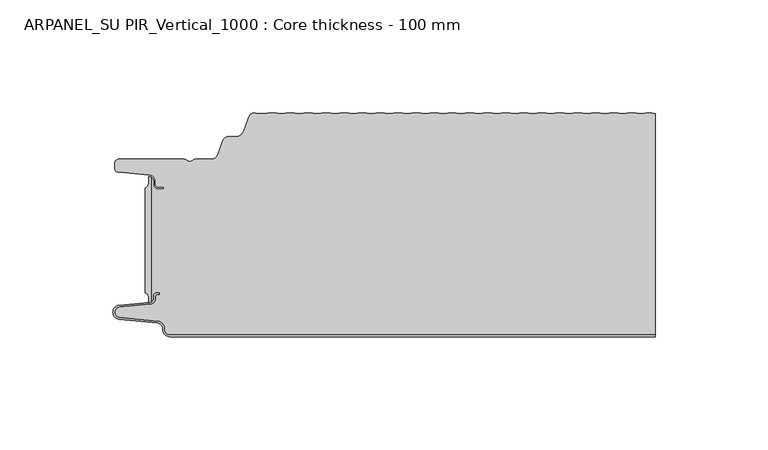
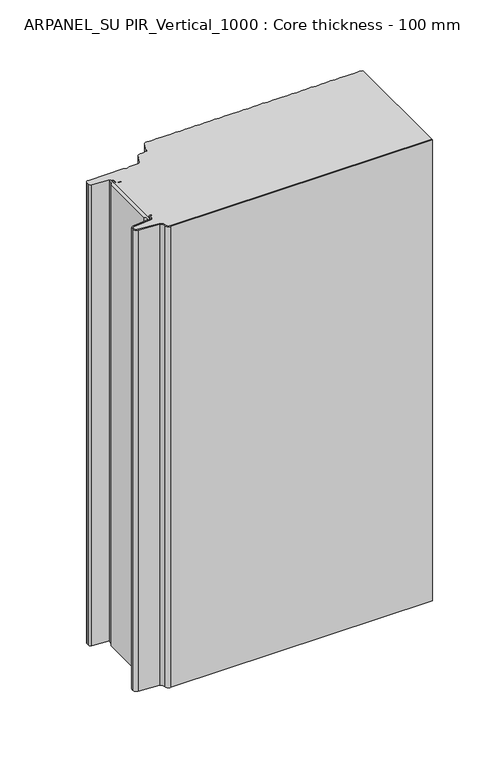
"""IFC4 building model written with IfcOpenShell, lengths in millimetres: plate geometry, ARPANEL_SU PIR_Vertical_1000 : Core thickness - 100 mm."""

from ifc_helpers import new_model, si_unit, point, frame, frame_2d, origin, origin_with_axes, place, context, project, spatial, polyline, circle_curve, trimmed, segment, composite_curve, outline, extrude, source, transform, mapped, element, save
from ifc_brep_helpers import plane_surface, cylinder_surface, revolved_surface, advanced_brep


def arpanel_su_pir_vertical_1000_core_thickness_100_mm_8a3419ba(model_context):
    return source(origin(), model_context, "Body", "SolidModel", [
        extrude(outline(composite_curve([segment(polyline([(-105.6703125, -80.4998404), (-105.6703125, -34.0457975)]), True, "CONTINUOUS"), segment(trimmed(circle_curve(frame_2d((-106.6104834, -31.8050435)), 2.43), [point((-105.6703125, -34.0457975))], [point((-104.1827962, -31.6990483))], True, "CARTESIAN"), True, "CONTINUOUS"), segment(polyline([(-104.1827962, -31.6990483), (-104.1827962, -29.1072781)]), True, "CONTINUOUS"), segment(trimmed(circle_curve(frame_2d((-104.153332, -31.5658353)), 2.4587337), [point((-104.1827962, -29.1072781))], [point((-103.1249998, -29.3324736))], False, "CARTESIAN"), True, "CONTINUOUS"), segment(polyline([(-103.1249998, -29.3324736), (-103.1249998, -84.6039532)]), True, "CONTINUOUS"), segment(trimmed(circle_curve(frame_2d((-104.1687689, -82.3777641)), 2.4587337), [point((-103.1249998, -84.6039532))], [point((-104.1827962, -84.8364579))], False, "CARTESIAN"), True, "CONTINUOUS"), segment(polyline([(-104.1827962, -84.8364579), (-104.1827962, -82.8465895)]), True, "CONTINUOUS"), segment(trimmed(circle_curve(frame_2d((-106.6104834, -82.7405944)), 2.43), [point((-104.1827962, -82.8465895))], [point((-105.6703125, -80.4998404))], True, "CARTESIAN"), True, "CONTINUOUS")], self_intersect=False)), origin_with_axes(), (0.0, 0.0, 1.0), 400.0),
        advanced_brep(
        [(-94.8000003, -99.9996949, 0.0), (-97.9923632, -96.5787437, 0.0), (-100.2560431, -93.9171154, 0.0), (-117.2115315, -92.2546153, 0.0), (-119.9999998, -89.1776715, 0.0), (-117.2115315, -86.1007278, 0.0), (-103.6195785, -84.7680252, 0.0), (-101.9952277, -82.9766159, 0.0), (-101.9952277, -81.8996949, 0.0), (-100.5952277, -80.4996949, 0.0), (-99.4952277, -80.4996949, 0.0), (-99.4952277, -81.2996949, 0.0), (-100.5952277, -81.2996949, 0.0), (-101.1952277, -81.8996949, 0.0), (-101.1952277, -82.9766159, 0.0), (-103.5415122, -85.5642071, 0.0), (-117.1334652, -86.8969097, 0.0), (-119.1999997, -89.1776715, 0.0), (-117.1334652, -91.4584333, 0.0), (-100.1779767, -93.1209335, 0.0), (-97.2078761, -96.6330399, 0.0), (-94.8000003, -99.1996949, 0.0), (119.9999998, -99.2, 0.0), (119.9999998, -99.9996949, 0.0), (-94.8000003, -99.1996949, 400.0), (-97.1942724, -96.6339815, 400.0), (-100.1779767, -93.1209335, 400.0), (-117.1334652, -91.4584333, 400.0), (-119.1999997, -89.1776715, 400.0), (-117.1334652, -86.8969097, 400.0), (-103.5415122, -85.5642071, 400.0), (-101.1952277, -82.9766159, 400.0), (-101.1952277, -81.8996949, 400.0), (-100.5952277, -81.2996949, 400.0), (-99.4952277, -81.2996949, 400.0), (-99.4952277, -80.4996949, 400.0), (-100.5952277, -80.4996949, 400.0), (-101.9952277, -81.8996949, 400.0), (-101.9952277, -82.9766159, 400.0), (-103.6195785, -84.7680252, 400.0), (-117.2115315, -86.1007278, 400.0), (-119.9999998, -89.1776715, 400.0), (-117.2115315, -92.2546153, 400.0), (-100.2560431, -93.9171154, 400.0), (-98.0059668, -96.5778021, 400.0), (-94.8000003, -99.9996949, 400.0), (119.9999998, -99.9996949, 400.0), (119.9999998, -99.2, 400.0)],
        [
            (0, 1, circle_curve(frame((-94.8000003, -96.7996949, 0.0), z_axis=(0.0, 0.0, -1.0), x_axis=(1.0, 0.0, 0.0)), 3.2)),
            (1, 2, circle_curve(frame((-100.5000003, -96.4051839, 0.0), z_axis=(0.0, 0.0, 1.0), x_axis=(1.0, 0.0, 0.0)), 2.5)),
            (2, 3),
            (3, 4, circle_curve(frame((-116.9100003, -89.1793626, 0.0), z_axis=(0.0, 0.0, -1.0), x_axis=(1.0, 0.0, 0.0)), 3.09)),
            (4, 5, circle_curve(frame((-116.9100003, -89.1759805, 0.0), z_axis=(0.0, 0.0, -1.0), x_axis=(1.0, 0.0, 0.0)), 3.09)),
            (5, 6),
            (6, 7, circle_curve(frame((-103.7952277, -82.9766159, 0.0), z_axis=(0.0, 0.0, 1.0), x_axis=(1.0, 0.0, 0.0)), 1.8)),
            (7, 8),
            (8, 9, circle_curve(frame((-100.5952277, -81.8996949, 0.0), z_axis=(0.0, 0.0, -1.0), x_axis=(1.0, 0.0, 0.0)), 1.4)),
            (9, 10),
            (10, 11),
            (11, 12),
            (12, 13, circle_curve(frame((-100.5952277, -81.8996949, 0.0), z_axis=(0.0, 0.0, 1.0), x_axis=(1.0, 0.0, 0.0)), 0.6)),
            (13, 14),
            (14, 15, circle_curve(frame((-103.7952277, -82.9766159, 0.0), z_axis=(0.0, 0.0, -1.0), x_axis=(1.0, 0.0, 0.0)), 2.6)),
            (15, 16),
            (16, 17, circle_curve(frame((-116.9100003, -89.1759805, 0.0), z_axis=(0.0, 0.0, 1.0), x_axis=(1.0, 0.0, 0.0)), 2.29)),
            (17, 18, circle_curve(frame((-116.9100003, -89.1793626, 0.0), z_axis=(0.0, 0.0, 1.0), x_axis=(1.0, 0.0, 0.0)), 2.29)),
            (18, 19),
            (19, 20, circle_curve(frame((-100.5000003, -96.4051839, 0.0), z_axis=(0.0, 0.0, -1.0), x_axis=(1.0, 0.0, 0.0)), 3.3)),
            (20, 21, circle_curve(frame((-94.8000003, -96.7996949, 0.0), z_axis=(0.0, 0.0, 1.0), x_axis=(1.0, 0.0, 0.0)), 2.4)),
            (21, 22),
            (22, 23),
            (23, 0),
            (24, 25, circle_curve(frame((-94.8000003, -96.7996949, 400.0), z_axis=(0.0, 0.0, -1.0), x_axis=(1.0, 0.0, 0.0)), 2.4)),
            (25, 26, circle_curve(frame((-100.5000003, -96.4051839, 400.0), z_axis=(0.0, 0.0, 1.0), x_axis=(1.0, 0.0, 0.0)), 3.3)),
            (26, 27),
            (27, 28, circle_curve(frame((-116.9100003, -89.1793626, 400.0), z_axis=(0.0, 0.0, -1.0), x_axis=(1.0, 0.0, 0.0)), 2.29)),
            (28, 29, circle_curve(frame((-116.9100003, -89.1759805, 400.0), z_axis=(0.0, 0.0, -1.0), x_axis=(1.0, 0.0, 0.0)), 2.29)),
            (29, 30),
            (30, 31, circle_curve(frame((-103.7952277, -82.9766159, 400.0), z_axis=(0.0, 0.0, 1.0), x_axis=(1.0, 0.0, 0.0)), 2.6)),
            (31, 32),
            (32, 33, circle_curve(frame((-100.5952277, -81.8996949, 400.0), z_axis=(0.0, 0.0, -1.0), x_axis=(1.0, 0.0, 0.0)), 0.6)),
            (33, 34),
            (34, 35),
            (35, 36),
            (36, 37, circle_curve(frame((-100.5952277, -81.8996949, 400.0), z_axis=(0.0, 0.0, 1.0), x_axis=(1.0, 0.0, 0.0)), 1.4)),
            (37, 38),
            (38, 39, circle_curve(frame((-103.7952277, -82.9766159, 400.0), z_axis=(0.0, 0.0, -1.0), x_axis=(1.0, 0.0, 0.0)), 1.8)),
            (39, 40),
            (40, 41, circle_curve(frame((-116.9100003, -89.1759805, 400.0), z_axis=(0.0, 0.0, 1.0), x_axis=(1.0, 0.0, 0.0)), 3.09)),
            (41, 42, circle_curve(frame((-116.9100003, -89.1793626, 400.0), z_axis=(0.0, 0.0, 1.0), x_axis=(1.0, 0.0, 0.0)), 3.09)),
            (42, 43),
            (43, 44, circle_curve(frame((-100.5000003, -96.4051839, 400.0), z_axis=(0.0, 0.0, -1.0), x_axis=(1.0, 0.0, 0.0)), 2.5)),
            (44, 45, circle_curve(frame((-94.8000003, -96.7996949, 400.0), z_axis=(0.0, 0.0, 1.0), x_axis=(1.0, 0.0, 0.0)), 3.2)),
            (45, 46),
            (46, 47),
            (47, 24),
            (21, 24),
            (47, 22),
            (20, 25),
            (19, 26),
            (18, 27),
            (17, 28),
            (16, 29),
            (15, 30),
            (14, 31),
            (13, 32),
            (12, 33),
            (11, 34),
            (10, 35),
            (9, 36),
            (8, 37),
            (7, 38),
            (6, 39),
            (5, 40),
            (4, 41),
            (3, 42),
            (2, 43),
            (1, 44),
            (0, 45),
            (23, 46),
        ],
        [
            plane_surface(frame((-119.9999998, -100.0, 0.0), z_axis=(0.0, 0.0, -1.0), x_axis=(0.0, 1.0, 0.0))),
            plane_surface(frame((-119.9999998, -100.0, 400.0), z_axis=(0.0, 0.0, 1.0), x_axis=(0.0, 1.0, 0.0))),
            plane_surface(frame((-94.8000003, -99.2, 0.0), z_axis=(0.0, 1.0, 0.0), x_axis=(0.0, 0.0, 1.0))),
            revolved_surface(polyline([(-92.40000029999999, -96.7996949, 400.0), (-92.40000029999999, -96.7996949, 0.0)]), (-94.8000003, -96.7996949, 0.0), (0.0, 0.0, 1.0)),
            cylinder_surface(frame((-100.5000003, -96.4051839, 0.0), z_axis=(0.0, 0.0, -1.0), x_axis=(1.0, 0.0, 0.0)), 3.3),
            plane_surface(frame((-117.1334652, -91.4584333, 0.0), z_axis=(0.09758289975914758, 0.9952273999818314, 0.0), x_axis=(0.0, 0.0, 1.0))),
            revolved_surface(polyline([(-114.62000029999999, -89.1793626, 400.0), (-114.62000029999999, -89.1793626, 0.0)]), (-116.9100003, -89.1793626, 0.0), (0.0, 0.0, 1.0)),
            revolved_surface(polyline([(-114.62000029999999, -89.1759805, 400.0), (-114.62000029999999, -89.1759805, 0.0)]), (-116.9100003, -89.1759805, 0.0), (0.0, 0.0, 1.0)),
            plane_surface(frame((-103.5415122, -85.5642071, 0.0), z_axis=(0.09758289975914383, -0.9952273999818317, 0.0), x_axis=(0.0, 0.0, 1.0))),
            cylinder_surface(frame((-103.7952277, -82.9766159, 0.0), z_axis=(0.0, 0.0, -1.0), x_axis=(1.0, 0.0, 0.0)), 2.6),
            plane_surface(frame((-101.1952277, -81.8996949, 0.0), z_axis=(1.0, 0.0, 0.0), x_axis=(0.0, 0.0, 1.0))),
            revolved_surface(polyline([(-99.9952277, -81.8996949, 400.0), (-99.9952277, -81.8996949, 0.0)]), (-100.5952277, -81.8996949, 0.0), (0.0, 0.0, 1.0)),
            plane_surface(frame((-99.4952277, -81.2996949, 0.0), z_axis=(0.0, -1.0, 0.0), x_axis=(0.0, 0.0, 1.0))),
            plane_surface(frame((-99.4952277, -80.4996949, 0.0), z_axis=(1.0, 0.0, 0.0), x_axis=(0.0, 0.0, 1.0))),
            plane_surface(frame((-100.5952277, -80.4996949, 0.0), z_axis=(0.0, 1.0, 0.0), x_axis=(0.0, 0.0, 1.0))),
            cylinder_surface(frame((-100.5952277, -81.8996949, 0.0), z_axis=(0.0, 0.0, -1.0), x_axis=(1.0, 0.0, 0.0)), 1.4),
            plane_surface(frame((-101.9952277, -82.9766159, 0.0), z_axis=(-1.0, 0.0, 0.0), x_axis=(0.0, 0.0, 1.0))),
            revolved_surface(polyline([(-101.9952277, -82.9766159, 400.0), (-101.9952277, -82.9766159, 0.0)]), (-103.7952277, -82.9766159, 0.0), (0.0, 0.0, 1.0)),
            plane_surface(frame((-117.2115315, -86.1007278, 0.0), z_axis=(-0.09758289975914387, 0.9952273999818317, 0.0), x_axis=(0.0, 0.0, 1.0))),
            cylinder_surface(frame((-116.9100003, -89.1759805, 0.0), z_axis=(0.0, 0.0, -1.0), x_axis=(1.0, 0.0, 0.0)), 3.09),
            cylinder_surface(frame((-116.9100003, -89.1793626, 0.0), z_axis=(0.0, 0.0, -1.0), x_axis=(1.0, 0.0, 0.0)), 3.09),
            plane_surface(frame((-100.2560431, -93.9171154, 0.0), z_axis=(-0.09758289975914762, -0.9952273999818314, 0.0), x_axis=(0.0, 0.0, 1.0))),
            revolved_surface(polyline([(-98.0000003, -96.4051839, 400.0), (-98.0000003, -96.4051839, 0.0)]), (-100.5000003, -96.4051839, 0.0), (0.0, 0.0, 1.0)),
            cylinder_surface(frame((-94.8000003, -96.7996949, 0.0), z_axis=(0.0, 0.0, -1.0), x_axis=(1.0, 0.0, 0.0)), 3.2),
            plane_surface(frame((895.8951806, -99.9996949, 0.0), z_axis=(0.0, -1.0, 0.0), x_axis=(0.0, 0.0, 1.0))),
            plane_surface(frame((119.9999998, 180.0, 400.0), z_axis=(1.0, 0.0, 0.0), x_axis=(0.0, 0.0, -1.0))),
        ],
        [
            (0, [[1, 2, 3, 4, 5, 6, 7, 8, 9, 10, 11, 12, 13, 14, 15, 16, 17, 18, 19, 20, 21, 22, 23, 24]]),
            (1, [[25, 26, 27, 28, 29, 30, 31, 32, 33, 34, 35, 36, 37, 38, 39, 40, 41, 42, 43, 44, 45, 46, 47, 48]]),
            (2, [[49, -48, 50, -22]]),
            (3, [[-21, 51, -25, -49]]),
            (4, [[-20, 52, -26, -51]]),
            (5, [[-19, 53, -27, -52]]),
            (6, [[-18, 54, -28, -53]]),
            (7, [[-17, 55, -29, -54]]),
            (8, [[-16, 56, -30, -55]]),
            (9, [[-15, 57, -31, -56]]),
            (10, [[-14, 58, -32, -57]]),
            (11, [[-13, 59, -33, -58]]),
            (12, [[-12, 60, -34, -59]]),
            (13, [[-11, 61, -35, -60]]),
            (14, [[-10, 62, -36, -61]]),
            (15, [[-9, 63, -37, -62]]),
            (16, [[-8, 64, -38, -63]]),
            (17, [[-7, 65, -39, -64]]),
            (18, [[-6, 66, -40, -65]]),
            (19, [[-5, 67, -41, -66]]),
            (20, [[-4, 68, -42, -67]]),
            (21, [[-3, 69, -43, -68]]),
            (22, [[-2, 70, -44, -69]]),
            (23, [[-1, 71, -45, -70]]),
            (24, [[-71, -24, 72, -46]]),
            (25, [[-23, -50, -47, -72]]),
        ],
    ),
        advanced_brep(
        [(-45.4209945, -1.2401608, 400.0), (-49.3959945, -0.7842469, 400.0), (-53.3709945, -1.2401608, 400.0), (-56.974295, -0.8268791, 400.0), (-59.9575556, -2.6832307, 400.0), (-62.1915348, -8.821038, 400.0), (-65.8165278, -11.3209755, 400.0), (-68.7504363, -11.3209755, 400.0), (-71.4097075, -13.1828966, 400.0), (-73.7017226, -19.4789642, 400.0), (-76.3328037, -21.3211477, 400.0), (-83.355028, -21.3211477, 400.0), (-84.4794723, -21.7461477, 400.0), (-87.5220864, -21.7461477, 400.0), (-88.6465307, -21.3211477, 400.0), (-117.3699998, -21.3211477, 400.0), (-119.1999998, -23.1511477, 400.0), (-119.1999998, -25.314536, 400.0), (-117.5294949, -27.1375723, 400.0), (-103.7559637, -28.3426003, 400.0), (-101.1999998, -31.1319454, 400.0), (-101.1999998, -32.5211477, 400.0), (-99.9999998, -33.7211477, 400.0), (-97.4999998, -33.7211477, 400.0), (-97.4999998, -34.5211477, 400.0), (-99.9999998, -34.5211477, 400.0), (-101.9999998, -32.5211477, 400.0), (-101.9999998, -31.1319454, 400.0), (-103.1249998, -29.3335086, 400.0), (-103.1249998, -84.647183, 400.0), (-101.9952277, -82.9766159, 400.0), (-101.9952277, -81.8996949, 400.0), (-100.5952277, -80.4996949, 400.0), (-99.4952277, -80.4996949, 400.0), (-99.4952277, -81.2996949, 400.0), (-100.5952277, -81.2996949, 400.0), (-101.1952277, -81.8996949, 400.0), (-101.1952277, -82.9766159, 400.0), (-103.5415122, -85.5642071, 400.0), (-117.1334652, -86.8969097, 400.0), (-119.1999997, -89.1776715, 400.0), (-117.1334652, -91.4584333, 400.0), (-100.1779767, -93.1209335, 400.0), (-97.2078761, -96.6330399, 400.0), (-94.8000003, -99.1996949, 400.0), (119.9999998, -99.2, 400.0), (119.9999998, -1.064791, 400.0), (117.5540055, -0.7842469, 400.0), (113.5790055, -1.2401608, 400.0), (109.6040055, -0.7842469, 400.0), (105.6290055, -1.2401608, 400.0), (101.6540055, -0.7842469, 400.0), (97.6790055, -1.2401608, 400.0), (93.7040055, -0.7842469, 400.0), (89.7290055, -1.2401608, 400.0), (85.7540055, -0.7842469, 400.0), (81.7790055, -1.2401608, 400.0), (77.8040055, -0.7842469, 400.0), (73.8290055, -1.2401608, 400.0), (69.8540055, -0.7842469, 400.0), (65.8790055, -1.2401608, 400.0), (61.9040055, -0.7842469, 400.0), (57.9290055, -1.2401608, 400.0), (53.9540055, -0.7842469, 400.0), (49.9790055, -1.2401608, 400.0), (46.0040055, -0.7842469, 400.0), (42.0290055, -1.2401608, 400.0), (38.0540055, -0.7842469, 400.0), (34.0790055, -1.2401608, 400.0), (30.1040055, -0.7842469, 400.0), (26.1290055, -1.2401608, 400.0), (22.1540055, -0.7842469, 400.0), (18.1790055, -1.2401608, 400.0), (14.2040055, -0.7842469, 400.0), (10.2290055, -1.2401608, 400.0), (6.2540055, -0.7842469, 400.0), (2.2790055, -1.2401608, 400.0), (-1.6959945, -0.7842469, 400.0), (-5.6709945, -1.2401608, 400.0), (-9.6459945, -0.7842469, 400.0), (-13.6209945, -1.2401608, 400.0), (-17.5959945, -0.7842469, 400.0), (-21.5709945, -1.2401608, 400.0), (-25.5459945, -0.7842469, 400.0), (-29.5209945, -1.2401608, 400.0), (-33.4959945, -0.7842469, 400.0), (-37.4709945, -1.2401608, 400.0), (-41.4459945, -0.7842469, 400.0), (-49.3959945, -0.7842469, 0.0), (-45.4209945, -1.2401608, 0.0), (-41.4459945, -0.7842469, 0.0), (-37.4709945, -1.2401608, 0.0), (-33.4959945, -0.7842469, 0.0), (-29.5209945, -1.2401608, 0.0), (-25.5459945, -0.7842469, 0.0), (-21.5709945, -1.2401608, 0.0), (-17.5959945, -0.7842469, 0.0), (-13.6209945, -1.2401608, 0.0), (-9.6459945, -0.7842469, 0.0), (-5.6709945, -1.2401608, 0.0), (-1.6959945, -0.7842469, 0.0), (2.2790055, -1.2401608, 0.0), (6.2540055, -0.7842469, 0.0), (10.2290055, -1.2401608, 0.0), (14.2040055, -0.7842469, 0.0), (18.1790055, -1.2401608, 0.0), (22.1540055, -0.7842469, 0.0), (26.1290055, -1.2401608, 0.0), (30.1040055, -0.7842469, 0.0), (34.0790055, -1.2401608, 0.0), (38.0540055, -0.7842469, 0.0), (42.0290055, -1.2401608, 0.0), (46.0040055, -0.7842469, 0.0), (49.9790055, -1.2401608, 0.0), (53.9540055, -0.7842469, 0.0), (57.9290055, -1.2401608, 0.0), (61.9040055, -0.7842469, 0.0), (65.8790055, -1.2401608, 0.0), (69.8540055, -0.7842469, 0.0), (73.8290055, -1.2401608, 0.0), (77.8040055, -0.7842469, 0.0), (81.7790055, -1.2401608, 0.0), (85.7540055, -0.7842469, 0.0), (89.7290055, -1.2401608, 0.0), (93.7040055, -0.7842469, 0.0), (97.6790055, -1.2401608, 0.0), (101.6540055, -0.7842469, 0.0), (105.6290055, -1.2401608, 0.0), (109.6040055, -0.7842469, 0.0), (113.5790055, -1.2401608, 0.0), (117.5540055, -0.7842469, 0.0), (119.9999998, -1.064791, 0.0), (119.9999998, -99.2, 0.0), (-94.8000003, -99.2, 0.0), (-97.1942724, -96.6339815, 0.0), (-100.1779767, -93.1209335, 0.0), (-117.1334652, -91.4584333, 0.0), (-119.1999997, -89.1776715, 0.0), (-117.1334652, -86.8969097, 0.0), (-103.5415122, -85.5642071, 0.0), (-101.1952277, -82.9766159, 0.0), (-101.1952277, -81.8996949, 0.0), (-100.5952277, -81.2996949, 0.0), (-99.4952277, -81.2996949, 0.0), (-99.4952277, -80.4996949, 0.0), (-100.5952277, -80.4996949, 0.0), (-101.9952277, -81.8996949, 0.0), (-101.9952277, -82.9766159, 0.0), (-103.1249998, -84.647183, 0.0), (-103.1249998, -29.3335086, 0.0), (-101.9999998, -31.1319454, 0.0), (-101.9999998, -32.5211477, 0.0), (-99.9999998, -34.5211477, 0.0), (-97.4999998, -34.5211477, 0.0), (-97.4999998, -33.7211477, 0.0), (-99.9999998, -33.7211477, 0.0), (-101.1999998, -32.5211477, 0.0), (-101.1999998, -31.1319454, 0.0), (-103.7559637, -28.3426003, 0.0), (-117.5294949, -27.1375723, 0.0), (-119.1999998, -25.314536, 0.0), (-119.1999998, -23.1511477, 0.0), (-117.3699998, -21.3211477, 0.0), (-88.6465307, -21.3211477, 0.0), (-87.5220864, -21.7461477, 0.0), (-84.4794723, -21.7461477, 0.0), (-83.355028, -21.3211477, 0.0), (-76.3328037, -21.3211477, 0.0), (-73.7017226, -19.4789642, 0.0), (-71.4097075, -13.1828966, 0.0), (-68.7504363, -11.3209755, 0.0), (-65.8165278, -11.3209755, 0.0), (-62.1915348, -8.821038, 0.0), (-59.9575556, -2.6832307, 0.0), (-56.9757518, -0.8395804, 0.0), (-53.3709945, -1.2401608, 0.0)],
        [
            (0, 1),
            (1, 2),
            (2, 3),
            (3, 4, circle_curve(frame((-57.2982255, -3.6511477, 400.0), z_axis=(0.0, 0.0, 1.0), x_axis=(1.0, 0.0, 0.0)), 2.83)),
            (4, 5),
            (5, 6, circle_curve(frame((-65.7623667, -7.5213615, 400.0), z_axis=(0.0, 0.0, -1.0), x_axis=(1.0, 0.0, 0.0)), 3.8)),
            (6, 7),
            (7, 8, circle_curve(frame((-68.7504363, -14.1509755, 400.0), z_axis=(0.0, 0.0, 1.0), x_axis=(1.0, 0.0, 0.0)), 2.83)),
            (8, 9),
            (9, 10, circle_curve(frame((-76.3328037, -18.5211477, 400.0), z_axis=(0.0, 0.0, -1.0), x_axis=(1.0, 0.0, 0.0)), 2.8)),
            (10, 11),
            (11, 12, circle_curve(frame((-83.355028, -23.0211477, 400.0), z_axis=(0.0, 0.0, 1.0), x_axis=(1.0, 0.0, 0.0)), 1.7)),
            (12, 13, circle_curve(frame((-86.0007794, -20.0211477, 400.0), z_axis=(0.0, 0.0, -1.0), x_axis=(1.0, 0.0, 0.0)), 2.3)),
            (13, 14, circle_curve(frame((-88.6465307, -23.0211477, 400.0), z_axis=(0.0, 0.0, 1.0), x_axis=(1.0, 0.0, 0.0)), 1.7)),
            (14, 15),
            (15, 16, circle_curve(frame((-117.3699998, -23.1511477, 400.0), z_axis=(0.0, 0.0, 1.0), x_axis=(1.0, 0.0, 0.0)), 1.83)),
            (16, 17),
            (17, 18, circle_curve(frame((-117.3699998, -25.314536, 400.0), z_axis=(0.0, 0.0, 1.0), x_axis=(1.0, 0.0, 0.0)), 1.83)),
            (18, 19),
            (19, 20, circle_curve(frame((-103.9999998, -31.1319454, 400.0), z_axis=(0.0, 0.0, -1.0), x_axis=(1.0, 0.0, 0.0)), 2.8)),
            (20, 21),
            (21, 22, circle_curve(frame((-99.9999998, -32.5211477, 400.0), z_axis=(0.0, 0.0, 1.0), x_axis=(1.0, 0.0, 0.0)), 1.2)),
            (22, 23),
            (23, 24),
            (24, 25),
            (25, 26, circle_curve(frame((-99.9999998, -32.5211477, 400.0), z_axis=(0.0, 0.0, -1.0), x_axis=(1.0, 0.0, 0.0)), 2.0)),
            (26, 27),
            (27, 28, circle_curve(frame((-103.9999998, -31.1319454, 400.0), z_axis=(0.0, 0.0, 1.0), x_axis=(1.0, 0.0, 0.0)), 2.0)),
            (28, 29),
            (29, 30, circle_curve(frame((-103.7952277, -82.9766159, 400.0), z_axis=(0.0, 0.0, 1.0), x_axis=(1.0, 0.0, 0.0)), 1.8)),
            (30, 31),
            (31, 32, circle_curve(frame((-100.5952277, -81.8996949, 400.0), z_axis=(0.0, 0.0, -1.0), x_axis=(1.0, 0.0, 0.0)), 1.4)),
            (32, 33),
            (33, 34),
            (34, 35),
            (35, 36, circle_curve(frame((-100.5952277, -81.8996949, 400.0), z_axis=(0.0, 0.0, 1.0), x_axis=(1.0, 0.0, 0.0)), 0.6)),
            (36, 37),
            (37, 38, circle_curve(frame((-103.7952277, -82.9766159, 400.0), z_axis=(0.0, 0.0, -1.0), x_axis=(1.0, 0.0, 0.0)), 2.6)),
            (38, 39),
            (39, 40, circle_curve(frame((-116.9100003, -89.1759805, 400.0), z_axis=(0.0, 0.0, 1.0), x_axis=(1.0, 0.0, 0.0)), 2.29)),
            (40, 41, circle_curve(frame((-116.9100003, -89.1793626, 400.0), z_axis=(0.0, 0.0, 1.0), x_axis=(1.0, 0.0, 0.0)), 2.29)),
            (41, 42),
            (42, 43, circle_curve(frame((-100.5000003, -96.4051839, 400.0), z_axis=(0.0, 0.0, -1.0), x_axis=(1.0, 0.0, 0.0)), 3.3)),
            (43, 44, circle_curve(frame((-94.8000003, -96.7996949, 400.0), z_axis=(0.0, 0.0, 1.0), x_axis=(1.0, 0.0, 0.0)), 2.4)),
            (44, 45),
            (45, 46),
            (46, 47),
            (47, 48),
            (48, 49),
            (49, 50),
            (50, 51),
            (51, 52),
            (52, 53),
            (53, 54),
            (54, 55),
            (55, 56),
            (56, 57),
            (57, 58),
            (58, 59),
            (59, 60),
            (60, 61),
            (61, 62),
            (62, 63),
            (63, 64),
            (64, 65),
            (65, 66),
            (66, 67),
            (67, 68),
            (68, 69),
            (69, 70),
            (70, 71),
            (71, 72),
            (72, 73),
            (73, 74),
            (74, 75),
            (75, 76),
            (76, 77),
            (77, 78),
            (78, 79),
            (79, 80),
            (80, 81),
            (81, 82),
            (82, 83),
            (83, 84),
            (84, 85),
            (85, 86),
            (86, 87),
            (87, 0),
            (88, 89),
            (89, 90),
            (90, 91),
            (91, 92),
            (92, 93),
            (93, 94),
            (94, 95),
            (95, 96),
            (96, 97),
            (97, 98),
            (98, 99),
            (99, 100),
            (100, 101),
            (101, 102),
            (102, 103),
            (103, 104),
            (104, 105),
            (105, 106),
            (106, 107),
            (107, 108),
            (108, 109),
            (109, 110),
            (110, 111),
            (111, 112),
            (112, 113),
            (113, 114),
            (114, 115),
            (115, 116),
            (116, 117),
            (117, 118),
            (118, 119),
            (119, 120),
            (120, 121),
            (121, 122),
            (122, 123),
            (123, 124),
            (124, 125),
            (125, 126),
            (126, 127),
            (127, 128),
            (128, 129),
            (129, 130),
            (130, 131),
            (131, 132),
            (132, 133),
            (133, 134, circle_curve(frame((-94.8000003, -96.7996949, 0.0), z_axis=(0.0, 0.0, -1.0), x_axis=(1.0, 0.0, 0.0)), 2.4)),
            (134, 135, circle_curve(frame((-100.5000003, -96.4051839, 0.0), z_axis=(0.0, 0.0, 1.0), x_axis=(1.0, 0.0, 0.0)), 3.3)),
            (135, 136),
            (136, 137, circle_curve(frame((-116.9100003, -89.1793626, 0.0), z_axis=(0.0, 0.0, -1.0), x_axis=(1.0, 0.0, 0.0)), 2.29)),
            (137, 138, circle_curve(frame((-116.9100003, -89.1759805, 0.0), z_axis=(0.0, 0.0, -1.0), x_axis=(1.0, 0.0, 0.0)), 2.29)),
            (138, 139),
            (139, 140, circle_curve(frame((-103.7952277, -82.9766159, 0.0), z_axis=(0.0, 0.0, 1.0), x_axis=(1.0, 0.0, 0.0)), 2.6)),
            (140, 141),
            (141, 142, circle_curve(frame((-100.5952277, -81.8996949, 0.0), z_axis=(0.0, 0.0, -1.0), x_axis=(1.0, 0.0, 0.0)), 0.6)),
            (142, 143),
            (143, 144),
            (144, 145),
            (145, 146, circle_curve(frame((-100.5952277, -81.8996949, 0.0), z_axis=(0.0, 0.0, 1.0), x_axis=(1.0, 0.0, 0.0)), 1.4)),
            (146, 147),
            (147, 148, circle_curve(frame((-103.7952277, -82.9766159, 0.0), z_axis=(0.0, 0.0, -1.0), x_axis=(1.0, 0.0, 0.0)), 1.8)),
            (148, 149),
            (149, 150, circle_curve(frame((-103.9999998, -31.1319454, 0.0), z_axis=(0.0, 0.0, -1.0), x_axis=(1.0, 0.0, 0.0)), 2.0)),
            (150, 151),
            (151, 152, circle_curve(frame((-99.9999998, -32.5211477, 0.0), z_axis=(0.0, 0.0, 1.0), x_axis=(1.0, 0.0, 0.0)), 2.0)),
            (152, 153),
            (153, 154),
            (154, 155),
            (155, 156, circle_curve(frame((-99.9999998, -32.5211477, 0.0), z_axis=(0.0, 0.0, -1.0), x_axis=(1.0, 0.0, 0.0)), 1.2)),
            (156, 157),
            (157, 158, circle_curve(frame((-103.9999998, -31.1319454, 0.0), z_axis=(0.0, 0.0, 1.0), x_axis=(1.0, 0.0, 0.0)), 2.8)),
            (158, 159),
            (159, 160, circle_curve(frame((-117.3699998, -25.314536, 0.0), z_axis=(0.0, 0.0, -1.0), x_axis=(1.0, 0.0, 0.0)), 1.83)),
            (160, 161),
            (161, 162, circle_curve(frame((-117.3699998, -23.1511477, 0.0), z_axis=(0.0, 0.0, -1.0), x_axis=(1.0, 0.0, 0.0)), 1.83)),
            (162, 163),
            (163, 164, circle_curve(frame((-88.6465307, -23.0211477, 0.0), z_axis=(0.0, 0.0, -1.0), x_axis=(1.0, 0.0, 0.0)), 1.7)),
            (164, 165, circle_curve(frame((-86.0007794, -20.0211477, 0.0), z_axis=(0.0, 0.0, 1.0), x_axis=(1.0, 0.0, 0.0)), 2.3)),
            (165, 166, circle_curve(frame((-83.355028, -23.0211477, 0.0), z_axis=(0.0, 0.0, -1.0), x_axis=(1.0, 0.0, 0.0)), 1.7)),
            (166, 167),
            (167, 168, circle_curve(frame((-76.3328037, -18.5211477, 0.0), z_axis=(0.0, 0.0, 1.0), x_axis=(1.0, 0.0, 0.0)), 2.8)),
            (168, 169),
            (169, 170, circle_curve(frame((-68.7504363, -14.1509755, 0.0), z_axis=(0.0, 0.0, -1.0), x_axis=(1.0, 0.0, 0.0)), 2.83)),
            (170, 171),
            (171, 172, circle_curve(frame((-65.7623667, -7.5213615, 0.0), z_axis=(0.0, 0.0, 1.0), x_axis=(1.0, 0.0, 0.0)), 3.8)),
            (172, 173),
            (173, 174, circle_curve(frame((-57.2982255, -3.6511477, 0.0), z_axis=(0.0, 0.0, -1.0), x_axis=(1.0, 0.0, 0.0)), 2.83)),
            (174, 175),
            (175, 88),
            (28, 149),
            (148, 29),
            (88, 1),
            (0, 89),
            (87, 90),
            (86, 91),
            (85, 92),
            (84, 93),
            (83, 94),
            (82, 95),
            (81, 96),
            (80, 97),
            (79, 98),
            (78, 99),
            (77, 100),
            (76, 101),
            (75, 102),
            (74, 103),
            (73, 104),
            (72, 105),
            (71, 106),
            (70, 107),
            (69, 108),
            (68, 109),
            (67, 110),
            (66, 111),
            (65, 112),
            (64, 113),
            (63, 114),
            (62, 115),
            (61, 116),
            (60, 117),
            (59, 118),
            (58, 119),
            (57, 120),
            (56, 121),
            (55, 122),
            (54, 123),
            (53, 124),
            (52, 125),
            (51, 126),
            (50, 127),
            (49, 128),
            (48, 129),
            (47, 130),
            (46, 131),
            (151, 26),
            (25, 152),
            (24, 153),
            (23, 154),
            (22, 155),
            (21, 156),
            (20, 157),
            (19, 158),
            (18, 159),
            (17, 160),
            (16, 161),
            (15, 162),
            (14, 163),
            (13, 164),
            (12, 165),
            (11, 166),
            (10, 167),
            (9, 168),
            (8, 169),
            (7, 170),
            (6, 171),
            (5, 172),
            (4, 173),
            (3, 174),
            (2, 175),
            (44, 133),
            (132, 45),
            (43, 134),
            (42, 135),
            (41, 136),
            (40, 137),
            (39, 138),
            (38, 139),
            (37, 140),
            (36, 141),
            (35, 142),
            (34, 143),
            (33, 144),
            (32, 145),
            (31, 146),
            (30, 147),
            (27, 150),
        ],
        [
            plane_surface(frame((-119.9999998, 0.0, 400.0), z_axis=(0.0, 0.0, 1.0), x_axis=(0.0, -1.0, 0.0))),
            plane_surface(frame((-119.9999998, 0.0, 0.0), z_axis=(0.0, 0.0, -1.0), x_axis=(0.0, -1.0, 0.0))),
            plane_surface(frame((-103.1249998, -28.75, 400.0), z_axis=(-1.0, 0.0, 0.0), x_axis=(0.0, 0.0, -1.0))),
            plane_surface(frame((-49.3959945, -0.7842469, 530.0), z_axis=(0.1139482930581638, 0.9934866815962511, 0.0), x_axis=(0.0, 0.0, -1.0))),
            plane_surface(frame((-45.4209945, -1.2401608, 530.0), z_axis=(-0.11394829338954408, 0.9934866815582434, 0.0), x_axis=(0.0, 0.0, -1.0))),
            plane_surface(frame((-41.4459945, -0.7842469, 530.0), z_axis=(0.11394829338946497, 0.9934866815582525, 0.0), x_axis=(0.0, 0.0, -1.0))),
            plane_surface(frame((-37.4709945, -1.2401608, 530.0), z_axis=(-0.11394829305824292, 0.9934866815962421, 0.0), x_axis=(0.0, 0.0, -1.0))),
            plane_surface(frame((-33.4959945, -0.7842469, 530.0), z_axis=(0.1139482930581638, 0.9934866815962511, 0.0), x_axis=(0.0, 0.0, -1.0))),
            plane_surface(frame((-29.5209945, -1.2401608, 530.0), z_axis=(-0.11394829338954408, 0.9934866815582434, 0.0), x_axis=(0.0, 0.0, -1.0))),
            plane_surface(frame((-25.5459945, -0.7842469, 530.0), z_axis=(0.11394829338946497, 0.9934866815582525, 0.0), x_axis=(0.0, 0.0, -1.0))),
            plane_surface(frame((-21.5709945, -1.2401608, 530.0), z_axis=(-0.11394829305824292, 0.9934866815962421, 0.0), x_axis=(0.0, 0.0, -1.0))),
            plane_surface(frame((-17.5959945, -0.7842469, 530.0), z_axis=(0.1139482930581638, 0.9934866815962511, 0.0), x_axis=(0.0, 0.0, -1.0))),
            plane_surface(frame((-13.6209945, -1.2401608, 530.0), z_axis=(-0.11394829338954408, 0.9934866815582434, 0.0), x_axis=(0.0, 0.0, -1.0))),
            plane_surface(frame((-9.6459945, -0.7842469, 530.0), z_axis=(0.11394829338946497, 0.9934866815582525, 0.0), x_axis=(0.0, 0.0, -1.0))),
            plane_surface(frame((-5.6709945, -1.2401608, 530.0), z_axis=(-0.11394829305824292, 0.9934866815962421, 0.0), x_axis=(0.0, 0.0, -1.0))),
            plane_surface(frame((-1.6959945, -0.7842469, 530.0), z_axis=(0.1139482930581638, 0.9934866815962511, 0.0), x_axis=(0.0, 0.0, -1.0))),
            plane_surface(frame((2.2790055, -1.2401608, 530.0), z_axis=(-0.11394829338954408, 0.9934866815582434, 0.0), x_axis=(0.0, 0.0, -1.0))),
            plane_surface(frame((6.2540055, -0.7842469, 530.0), z_axis=(0.11394829338946497, 0.9934866815582525, 0.0), x_axis=(0.0, 0.0, -1.0))),
            plane_surface(frame((10.2290055, -1.2401608, 530.0), z_axis=(-0.11394829305824292, 0.9934866815962421, 0.0), x_axis=(0.0, 0.0, -1.0))),
            plane_surface(frame((14.2040055, -0.7842469, 530.0), z_axis=(0.1139482930581638, 0.9934866815962511, 0.0), x_axis=(0.0, 0.0, -1.0))),
            plane_surface(frame((18.1790055, -1.2401608, 530.0), z_axis=(-0.11394829338954408, 0.9934866815582434, 0.0), x_axis=(0.0, 0.0, -1.0))),
            plane_surface(frame((22.1540055, -0.7842469, 530.0), z_axis=(0.11394829338946497, 0.9934866815582525, 0.0), x_axis=(0.0, 0.0, -1.0))),
            plane_surface(frame((26.1290055, -1.2401608, 530.0), z_axis=(-0.11394829305824292, 0.9934866815962421, 0.0), x_axis=(0.0, 0.0, -1.0))),
            plane_surface(frame((30.1040055, -0.7842469, 530.0), z_axis=(0.1139482930581638, 0.9934866815962511, 0.0), x_axis=(0.0, 0.0, -1.0))),
            plane_surface(frame((34.0790055, -1.2401608, 530.0), z_axis=(-0.11394829305824292, 0.9934866815962421, 0.0), x_axis=(0.0, 0.0, -1.0))),
            plane_surface(frame((38.0540055, -0.7842469, 530.0), z_axis=(0.1139482930581638, 0.9934866815962511, 0.0), x_axis=(0.0, 0.0, -1.0))),
            plane_surface(frame((42.0290055, -1.2401608, 530.0), z_axis=(-0.11394829338954408, 0.9934866815582434, 0.0), x_axis=(0.0, 0.0, -1.0))),
            plane_surface(frame((46.0040055, -0.7842469, 530.0), z_axis=(0.11394829338946497, 0.9934866815582525, 0.0), x_axis=(0.0, 0.0, -1.0))),
            plane_surface(frame((49.9790055, -1.2401608, 530.0), z_axis=(-0.11394829305824292, 0.9934866815962421, 0.0), x_axis=(0.0, 0.0, -1.0))),
            plane_surface(frame((53.9540055, -0.7842469, 530.0), z_axis=(0.1139482930581638, 0.9934866815962511, 0.0), x_axis=(0.0, 0.0, -1.0))),
            plane_surface(frame((57.9290055, -1.2401608, 530.0), z_axis=(-0.11394829338954408, 0.9934866815582434, 0.0), x_axis=(0.0, 0.0, -1.0))),
            plane_surface(frame((61.9040055, -0.7842469, 530.0), z_axis=(0.11394829338946497, 0.9934866815582525, 0.0), x_axis=(0.0, 0.0, -1.0))),
            plane_surface(frame((65.8790055, -1.2401608, 530.0), z_axis=(-0.11394829305824292, 0.9934866815962421, 0.0), x_axis=(0.0, 0.0, -1.0))),
            plane_surface(frame((69.8540055, -0.7842469, 530.0), z_axis=(0.1139482930581638, 0.9934866815962511, 0.0), x_axis=(0.0, 0.0, -1.0))),
            plane_surface(frame((73.8290055, -1.2401608, 530.0), z_axis=(-0.11394829338954408, 0.9934866815582434, 0.0), x_axis=(0.0, 0.0, -1.0))),
            plane_surface(frame((77.8040055, -0.7842469, 530.0), z_axis=(0.11394829338946497, 0.9934866815582525, 0.0), x_axis=(0.0, 0.0, -1.0))),
            plane_surface(frame((81.7790055, -1.2401608, 530.0), z_axis=(-0.11394829305824292, 0.9934866815962421, 0.0), x_axis=(0.0, 0.0, -1.0))),
            plane_surface(frame((85.7540055, -0.7842469, 530.0), z_axis=(0.1139482930581638, 0.9934866815962511, 0.0), x_axis=(0.0, 0.0, -1.0))),
            plane_surface(frame((89.7290055, -1.2401608, 530.0), z_axis=(-0.11394829338954408, 0.9934866815582434, 0.0), x_axis=(0.0, 0.0, -1.0))),
            plane_surface(frame((93.7040055, -0.7842469, 530.0), z_axis=(0.11394829338946497, 0.9934866815582525, 0.0), x_axis=(0.0, 0.0, -1.0))),
            plane_surface(frame((97.6790055, -1.2401608, 530.0), z_axis=(-0.11394829305824292, 0.9934866815962421, 0.0), x_axis=(0.0, 0.0, -1.0))),
            plane_surface(frame((101.6540055, -0.7842469, 530.0), z_axis=(0.1139482930581638, 0.9934866815962511, 0.0), x_axis=(0.0, 0.0, -1.0))),
            plane_surface(frame((105.6290055, -1.2401608, 530.0), z_axis=(-0.11394829338954408, 0.9934866815582434, 0.0), x_axis=(0.0, 0.0, -1.0))),
            plane_surface(frame((109.6040055, -0.7842469, 530.0), z_axis=(0.11394829338946497, 0.9934866815582525, 0.0), x_axis=(0.0, 0.0, -1.0))),
            plane_surface(frame((113.5790055, -1.2401608, 530.0), z_axis=(-0.11394829305824292, 0.9934866815962421, 0.0), x_axis=(0.0, 0.0, -1.0))),
            plane_surface(frame((117.5540055, -0.7842469, 530.0), z_axis=(0.1139482930581638, 0.9934866815962511, 0.0), x_axis=(0.0, 0.0, -1.0))),
            revolved_surface(polyline([(-97.9999998, -32.5211477, 400.0), (-97.9999998, -32.5211477, 0.0)]), (-99.9999998, -32.5211477, 530.0), (0.0, 0.0, 1.0)),
            plane_surface(frame((-99.9999998, -34.5211477, 530.0), z_axis=(0.0, 1.0, 0.0), x_axis=(0.0, 0.0, -1.0))),
            plane_surface(frame((-97.4999998, -34.5211477, 530.0), z_axis=(-1.0, 0.0, 0.0), x_axis=(0.0, 0.0, -1.0))),
            plane_surface(frame((-97.4999998, -33.7211477, 530.0), z_axis=(0.0, -1.0, 0.0), x_axis=(0.0, 0.0, -1.0))),
            cylinder_surface(frame((-99.9999998, -32.5211477, 530.0), z_axis=(0.0, 0.0, -1.0), x_axis=(1.0, 0.0, 0.0)), 1.2),
            plane_surface(frame((-101.1999998, -32.5211477, 530.0), z_axis=(-1.0, 0.0, 0.0), x_axis=(0.0, 0.0, -1.0))),
            revolved_surface(polyline([(-101.1999998, -31.1319454, 400.0), (-101.1999998, -31.1319454, 0.0)]), (-103.9999998, -31.1319454, 530.0), (0.0, 0.0, 1.0)),
            plane_surface(frame((-103.7559637, -28.3426003, 530.0), z_axis=(-0.0871557575228913, -0.9961946967990801, 0.0), x_axis=(0.0, 0.0, -1.0))),
            cylinder_surface(frame((-117.3699998, -25.314536, 530.0), z_axis=(0.0, 0.0, -1.0), x_axis=(1.0, 0.0, 0.0)), 1.83),
            plane_surface(frame((-119.1999998, -25.314536, 530.0), z_axis=(-1.0, 0.0, 0.0), x_axis=(0.0, 0.0, -1.0))),
            cylinder_surface(frame((-117.3699998, -23.1511477, 530.0), z_axis=(0.0, 0.0, -1.0), x_axis=(1.0, 0.0, 0.0)), 1.83),
            plane_surface(frame((-117.3699998, -21.3211477, 530.0), z_axis=(0.0, 1.0, 0.0), x_axis=(0.0, 0.0, -1.0))),
            cylinder_surface(frame((-88.6465307, -23.0211477, 530.0), z_axis=(0.0, 0.0, -1.0), x_axis=(1.0, 0.0, 0.0)), 1.7),
            revolved_surface(polyline([(-83.7007794, -20.0211477, 400.0), (-83.7007794, -20.0211477, 0.0)]), (-86.0007794, -20.0211477, 530.0), (0.0, 0.0, 1.0)),
            cylinder_surface(frame((-83.355028, -23.0211477, 530.0), z_axis=(0.0, 0.0, -1.0), x_axis=(1.0, 0.0, 0.0)), 1.7),
            plane_surface(frame((-83.355028, -21.3211477, 530.0), z_axis=(0.0, 1.0, 0.0), x_axis=(0.0, 0.0, -1.0))),
            revolved_surface(polyline([(-73.5328037, -18.5211477, 400.0), (-73.5328037, -18.5211477, 0.0)]), (-76.3328037, -18.5211477, 530.0), (0.0, 0.0, 1.0)),
            plane_surface(frame((-73.7017226, -19.4789642, 530.0), z_axis=(-0.9396718057170751, 0.3420773268435247, 0.0), x_axis=(0.0, 0.0, -1.0))),
            cylinder_surface(frame((-68.7504363, -14.1509755, 530.0), z_axis=(0.0, 0.0, -1.0), x_axis=(1.0, 0.0, 0.0)), 2.83),
            plane_surface(frame((-68.7504363, -11.3209755, 530.0), z_axis=(0.0, 1.0, 0.0), x_axis=(0.0, 0.0, -1.0))),
            revolved_surface(polyline([(-61.962366700000004, -7.5213615, 400.0), (-61.962366700000004, -7.5213615, 0.0)]), (-65.7623667, -7.5213615, 530.0), (0.0, 0.0, 1.0)),
            plane_surface(frame((-62.1915348, -8.821038, 530.0), z_axis=(-0.9396926207859142, 0.34202014332565295, 0.0), x_axis=(0.0, 0.0, -1.0))),
            cylinder_surface(frame((-57.2982255, -3.6511477, 530.0), z_axis=(0.0, 0.0, -1.0), x_axis=(1.0, 0.0, 0.0)), 2.83),
            plane_surface(frame((-56.974295, -0.8268791, 530.0), z_axis=(0.11394829338946497, 0.9934866815582525, 0.0), x_axis=(0.0, 0.0, -1.0))),
            plane_surface(frame((-53.3709945, -1.2401608, 530.0), z_axis=(-0.11394829305824292, 0.9934866815962421, 0.0), x_axis=(0.0, 0.0, -1.0))),
            plane_surface(frame((895.8952276, -99.2, 530.0), z_axis=(0.0, -1.0, 0.0), x_axis=(0.0, 0.0, -1.0))),
            cylinder_surface(frame((-94.8000003, -96.7996949, 530.0), z_axis=(0.0, 0.0, -1.0), x_axis=(1.0, 0.0, 0.0)), 2.4),
            revolved_surface(polyline([(-97.2000003, -96.4051839, 400.0), (-97.2000003, -96.4051839, 0.0)]), (-100.5000003, -96.4051839, 530.0), (0.0, 0.0, 1.0)),
            plane_surface(frame((-100.1779767, -93.1209335, 530.0), z_axis=(-0.09758289975914758, -0.9952273999818314, 0.0), x_axis=(0.0, 0.0, -1.0))),
            cylinder_surface(frame((-116.9100003, -89.1793626, 530.0), z_axis=(0.0, 0.0, -1.0), x_axis=(1.0, 0.0, 0.0)), 2.29),
            cylinder_surface(frame((-116.9100003, -89.1759805, 530.0), z_axis=(0.0, 0.0, -1.0), x_axis=(1.0, 0.0, 0.0)), 2.29),
            plane_surface(frame((-117.1334652, -86.8969097, 530.0), z_axis=(-0.09758289975914383, 0.9952273999818317, 0.0), x_axis=(0.0, 0.0, -1.0))),
            revolved_surface(polyline([(-101.1952277, -82.9766159, 400.0), (-101.1952277, -82.9766159, 0.0)]), (-103.7952277, -82.9766159, 530.0), (0.0, 0.0, 1.0)),
            plane_surface(frame((-101.1952277, -82.9766159, 530.0), z_axis=(-1.0, 0.0, 0.0), x_axis=(0.0, 0.0, -1.0))),
            cylinder_surface(frame((-100.5952277, -81.8996949, 530.0), z_axis=(0.0, 0.0, -1.0), x_axis=(1.0, 0.0, 0.0)), 0.6),
            plane_surface(frame((-100.5952277, -81.2996949, 530.0), z_axis=(0.0, 1.0, 0.0), x_axis=(0.0, 0.0, -1.0))),
            plane_surface(frame((-99.4952277, -81.2996949, 530.0), z_axis=(-1.0, 0.0, 0.0), x_axis=(0.0, 0.0, -1.0))),
            plane_surface(frame((-99.4952277, -80.4996949, 530.0), z_axis=(0.0, -1.0, 0.0), x_axis=(0.0, 0.0, -1.0))),
            revolved_surface(polyline([(-99.19522769999999, -81.8996949, 400.0), (-99.19522769999999, -81.8996949, 0.0)]), (-100.5952277, -81.8996949, 530.0), (0.0, 0.0, 1.0)),
            plane_surface(frame((-101.9952277, -81.8996949, 530.0), z_axis=(1.0, 0.0, 0.0), x_axis=(0.0, 0.0, -1.0))),
            cylinder_surface(frame((-103.7952277, -82.9766159, 530.0), z_axis=(0.0, 0.0, -1.0), x_axis=(1.0, 0.0, 0.0)), 1.8),
            cylinder_surface(frame((-103.9999998, -31.1319454, 530.0), z_axis=(0.0, 0.0, -1.0), x_axis=(1.0, 0.0, 0.0)), 2.0),
            plane_surface(frame((-101.9999998, -31.1319454, 530.0), z_axis=(1.0, 0.0, 0.0), x_axis=(0.0, 0.0, -1.0))),
            plane_surface(frame((119.9999998, 180.0, 400.0), z_axis=(1.0, 0.0, 0.0), x_axis=(0.0, 0.0, -1.0))),
        ],
        [
            (0, [[1, 2, 3, 4, 5, 6, 7, 8, 9, 10, 11, 12, 13, 14, 15, 16, 17, 18, 19, 20, 21, 22, 23, 24, 25, 26, 27, 28, 29, 30, 31, 32, 33, 34, 35, 36, 37, 38, 39, 40, 41, 42, 43, 44, 45, 46, 47, 48, 49, 50, 51, 52, 53, 54, 55, 56, 57, 58, 59, 60, 61, 62, 63, 64, 65, 66, 67, 68, 69, 70, 71, 72, 73, 74, 75, 76, 77, 78, 79, 80, 81, 82, 83, 84, 85, 86, 87, 88]]),
            (1, [[89, 90, 91, 92, 93, 94, 95, 96, 97, 98, 99, 100, 101, 102, 103, 104, 105, 106, 107, 108, 109, 110, 111, 112, 113, 114, 115, 116, 117, 118, 119, 120, 121, 122, 123, 124, 125, 126, 127, 128, 129, 130, 131, 132, 133, 134, 135, 136, 137, 138, 139, 140, 141, 142, 143, 144, 145, 146, 147, 148, 149, 150, 151, 152, 153, 154, 155, 156, 157, 158, 159, 160, 161, 162, 163, 164, 165, 166, 167, 168, 169, 170, 171, 172, 173, 174, 175, 176]]),
            (2, [[177, -149, 178, -29]]),
            (3, [[179, -1, 180, -89]]),
            (4, [[-180, -88, 181, -90]]),
            (5, [[-181, -87, 182, -91]]),
            (6, [[-182, -86, 183, -92]]),
            (7, [[-183, -85, 184, -93]]),
            (8, [[-184, -84, 185, -94]]),
            (9, [[-185, -83, 186, -95]]),
            (10, [[-186, -82, 187, -96]]),
            (11, [[-187, -81, 188, -97]]),
            (12, [[-188, -80, 189, -98]]),
            (13, [[-189, -79, 190, -99]]),
            (14, [[-190, -78, 191, -100]]),
            (15, [[-191, -77, 192, -101]]),
            (16, [[-192, -76, 193, -102]]),
            (17, [[-193, -75, 194, -103]]),
            (18, [[-194, -74, 195, -104]]),
            (19, [[-195, -73, 196, -105]]),
            (20, [[-196, -72, 197, -106]]),
            (21, [[-197, -71, 198, -107]]),
            (22, [[-198, -70, 199, -108]]),
            (23, [[-199, -69, 200, -109]]),
            (24, [[-200, -68, 201, -110]]),
            (25, [[-201, -67, 202, -111]]),
            (26, [[-202, -66, 203, -112]]),
            (27, [[-203, -65, 204, -113]]),
            (28, [[-204, -64, 205, -114]]),
            (29, [[-205, -63, 206, -115]]),
            (30, [[-206, -62, 207, -116]]),
            (31, [[-207, -61, 208, -117]]),
            (32, [[-208, -60, 209, -118]]),
            (33, [[-209, -59, 210, -119]]),
            (34, [[-210, -58, 211, -120]]),
            (35, [[-211, -57, 212, -121]]),
            (36, [[-212, -56, 213, -122]]),
            (37, [[-213, -55, 214, -123]]),
            (38, [[-214, -54, 215, -124]]),
            (39, [[-215, -53, 216, -125]]),
            (40, [[-216, -52, 217, -126]]),
            (41, [[-217, -51, 218, -127]]),
            (42, [[-218, -50, 219, -128]]),
            (43, [[-219, -49, 220, -129]]),
            (44, [[-220, -48, 221, -130]]),
            (45, [[-221, -47, 222, -131]]),
            (46, [[223, -26, 224, -152]]),
            (47, [[-224, -25, 225, -153]]),
            (48, [[-225, -24, 226, -154]]),
            (49, [[-226, -23, 227, -155]]),
            (50, [[-227, -22, 228, -156]]),
            (51, [[-228, -21, 229, -157]]),
            (52, [[-229, -20, 230, -158]]),
            (53, [[-230, -19, 231, -159]]),
            (54, [[-231, -18, 232, -160]]),
            (55, [[-232, -17, 233, -161]]),
            (56, [[-233, -16, 234, -162]]),
            (57, [[-234, -15, 235, -163]]),
            (58, [[-235, -14, 236, -164]]),
            (59, [[-236, -13, 237, -165]]),
            (60, [[-237, -12, 238, -166]]),
            (61, [[-238, -11, 239, -167]]),
            (62, [[-239, -10, 240, -168]]),
            (63, [[-240, -9, 241, -169]]),
            (64, [[-241, -8, 242, -170]]),
            (65, [[-242, -7, 243, -171]]),
            (66, [[-243, -6, 244, -172]]),
            (67, [[-244, -5, 245, -173]]),
            (68, [[-245, -4, 246, -174]]),
            (69, [[-246, -3, 247, -175]]),
            (70, [[-179, -176, -247, -2]]),
            (71, [[248, -133, 249, -45]]),
            (72, [[-248, -44, 250, -134]]),
            (73, [[-250, -43, 251, -135]]),
            (74, [[-251, -42, 252, -136]]),
            (75, [[-252, -41, 253, -137]]),
            (76, [[-253, -40, 254, -138]]),
            (77, [[-254, -39, 255, -139]]),
            (78, [[-255, -38, 256, -140]]),
            (79, [[-256, -37, 257, -141]]),
            (80, [[-257, -36, 258, -142]]),
            (81, [[-258, -35, 259, -143]]),
            (82, [[-259, -34, 260, -144]]),
            (83, [[-260, -33, 261, -145]]),
            (84, [[-261, -32, 262, -146]]),
            (85, [[-262, -31, 263, -147]]),
            (86, [[-263, -30, -178, -148]]),
            (87, [[264, -150, -177, -28]]),
            (88, [[-223, -151, -264, -27]]),
            (89, [[-222, -46, -249, -132]]),
        ],
    ),
    ])


if __name__ == "__main__":
    model = new_model("IFC4")
    model_context = context("Model", 3, world=origin())
    ifc_project = project(units=[si_unit("LENGTHUNIT", "METRE", prefix="MILLI")], contexts=[model_context])
    site = spatial("IfcSite", under=ifc_project)
    building = spatial("IfcBuilding", under=site)
    placement = place(None, origin())
    arpanel_su_pir_vertical_1000_core_thickness_100_mm_shape = arpanel_su_pir_vertical_1000_core_thickness_100_mm_8a3419ba(model_context)
    element("IfcPlate", 1, ObjectType="ARPANEL_SU PIR_Vertical_1000 : Core thickness - 100 mm", at=placement, inside=building, context=model_context, shape_type="MappedRepresentation", body=[
        mapped(arpanel_su_pir_vertical_1000_core_thickness_100_mm_shape, transform((0.0, 0.0, 0.0), x_axis=(1.0, 0.0, 0.0), y_axis=(0.0, 1.0, 0.0), z_axis=(0.0, 0.0, 1.0))),
    ])
    save(model, "model.ifc")
